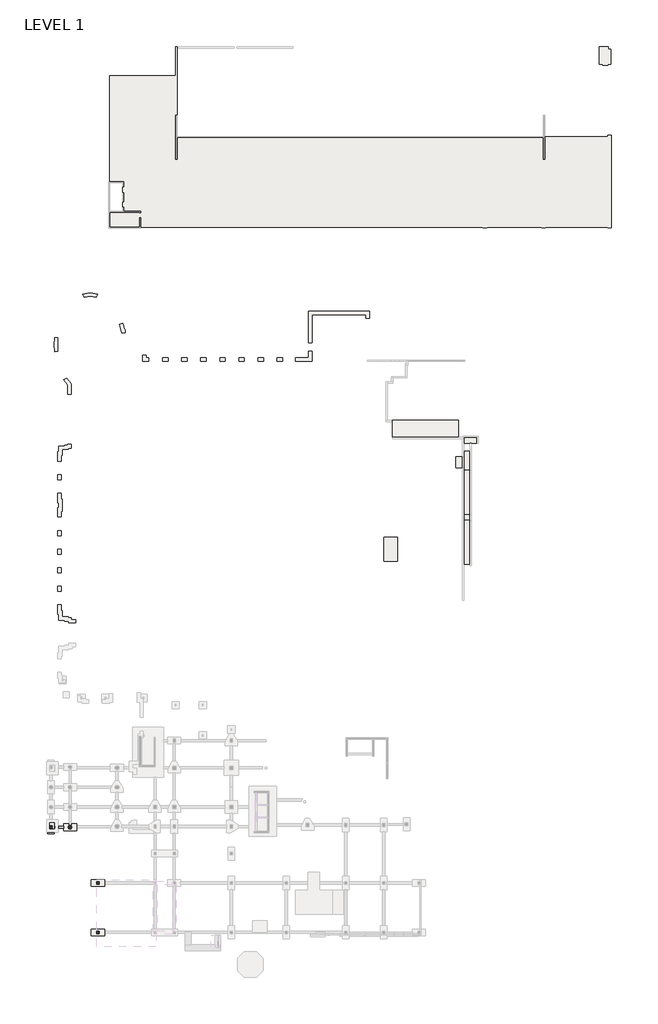
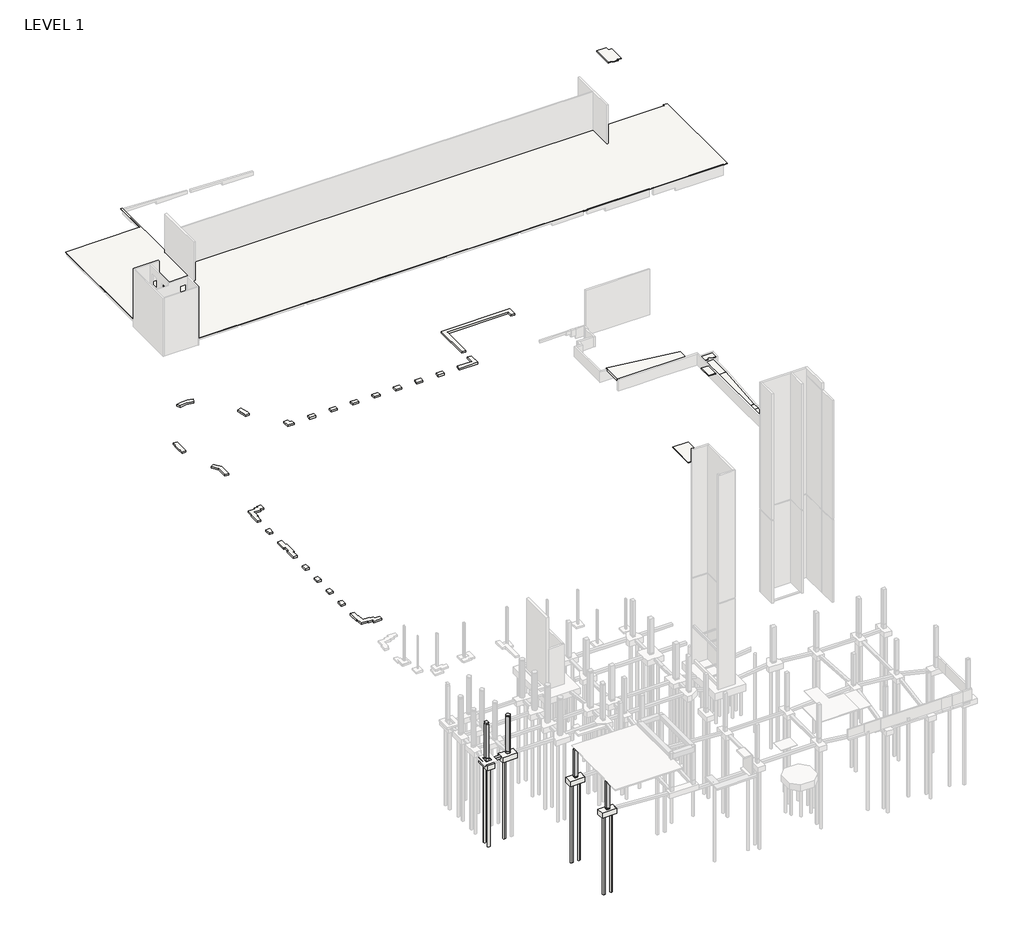
# One storey, part 3 of 20: 22 slabs, 4 columns, 1 beam.
"""IFC4 building model written with IfcOpenShell, lengths in millimetres."""

from ifc_helpers import new_model, si_unit, point, frame, frame_2d, origin, origin_with_axes, place, context, project, spatial, polyline, circle_curve, ellipse_curve, trimmed, segment, composite_curve, outline, extrude, faceted_brep, element, save
from ifc_brep_helpers import plane_surface, extruded_surface, advanced_brep

model = new_model("IFC4")

# Units and contexts
model_context = context("Model", 3, world=origin())
ifc_project = project(units=[si_unit("LENGTHUNIT", "METRE", prefix="MILLI")], contexts=[model_context])

# Site, building, storey
site = spatial("IfcSite", under=ifc_project)
building = spatial("IfcBuilding", under=site)
storey = spatial("IfcBuildingStorey", under=building, Name="LEVEL 1", Elevation=0.0)

# Beam
placement = place(None, origin())
element("IfcBeam", 1, ObjectType="Concrete-Rectangular Beam", at=placement, inside=storey, context=model_context, shape_type="SweptSolid", body=[
    extrude(outline(polyline([(-10179.5593104, -33406.3107149), (-10179.5593104, -33863.5107149), (-12080.3610058, -33863.5107149), (-12080.3610058, -33406.3107149), (-10179.5593104, -33406.3107149)])), frame((0.0, 0.0, -1066.8), z_axis=(0.0, 0.0, 1.0), x_axis=(1.0, 0.0, 0.0)), (0.0, 0.0, 1.0), 457.2),
])

# Columns
element("IfcColumn", 2, ObjectType="UC Concrete-Rectangular-Column : 16 x 24", at=placement, inside=storey, context=model_context, shape_type="Brep", body=[
    faceted_brep([(-12562.9610058, -33330.1107149, -609.6), (-12562.9610058, -33939.7107149, -609.6), (-12969.3610058, -33939.7107149, -609.6), (-12969.3610058, -33330.1107149, -609.6), (-12562.9610058, -33939.7107149, -127.0), (-12562.9610058, -33330.1107149, -127.0), (-12969.3610058, -33330.1107149, -127.0), (-12969.3610058, -33939.7107149, -127.0)], [[[0, 1, 2, 3]], [[4, 5, 6, 7]], [[1, 0, 5, 4]], [[2, 1, 4, 7]], [[3, 2, 7, 6]], [[0, 3, 6, 5]]]),
    faceted_brep([(-12562.9610058, -33330.1107149, 6908.8), (-12562.9610058, -33939.7107149, 6908.8), (-12562.9610058, -33939.7107149, 6858.0), (-12562.9610058, -33330.1107149, 6858.0), (-12969.3610058, -33939.7107149, 6908.8), (-12969.3610058, -33939.7107149, 6858.0), (-12969.3610058, -33330.1107149, 6908.8), (-12969.3610058, -33330.1107149, 6858.0), (-12969.3610058, -33533.2810305, 6858.0)], [[[0, 1, 2, 3]], [[1, 4, 5, 2]], [[4, 6, 7, 8, 5]], [[6, 0, 3, 7]], [[1, 0, 6, 4]], [[3, 2, 5, 8, 7]]]),
    faceted_brep([(-12562.9610058, -33330.1107149, 0.0), (-12562.9610058, -33939.7107149, 0.0), (-12969.3610058, -33939.7107149, 0.0), (-12969.3610058, -33330.1107149, 0.0), (-12562.9610058, -33939.7107149, 6553.2), (-12562.9610058, -33330.1107149, 6553.2), (-12969.3610058, -33330.1107149, 6553.2), (-12969.3610058, -33533.2810305, 6553.2), (-12969.3610058, -33939.7107149, 6553.2)], [[[0, 1, 2, 3]], [[4, 5, 6, 7, 8]], [[1, 0, 5, 4]], [[2, 1, 4, 8]], [[3, 2, 8, 7, 6]], [[0, 3, 6, 5]]]),
])
element("IfcColumn", 3, ObjectType="UC Concrete-Rectangular-Column : 20 x 20", at=placement, inside=storey, context=model_context, shape_type="Brep", body=[
    faceted_brep([(-2758.5610058, -55224.9107149, -304.8), (-2758.5610058, -55732.9107149, -304.8), (-3266.5610058, -55732.9107149, -304.8), (-3266.5610058, -55224.9107149, -304.8), (-2758.5610058, -55732.9107149, -127.0), (-2758.5610058, -55224.9107149, -127.0), (-3266.5610058, -55224.9107149, -127.0), (-3266.5610058, -55732.9107149, -127.0)], [[[0, 1, 2, 3]], [[4, 5, 6, 7]], [[1, 0, 5, 4]], [[2, 1, 4, 7]], [[3, 2, 7, 6]], [[0, 3, 6, 5]]]),
    faceted_brep([(-2758.5610058, -55224.9107149, 5181.6), (-2758.5610058, -55732.9107149, 5181.6), (-2758.5610058, -55732.9107149, 4470.4), (-2758.5610058, -55732.9107149, 0.0), (-2758.5610058, -55224.9107149, 0.0), (-2758.5610058, -55224.9107149, 4470.4), (-2809.3610058, -55732.9107149, 5181.6), (-3215.7610058, -55732.9107149, 5181.6), (-3266.5610058, -55732.9107149, 5181.6), (-3266.5610058, -55732.9107149, 0.0), (-3266.5610058, -55224.9107149, 5181.6), (-3266.5610058, -55224.9107149, 0.0), (-3215.7610058, -55224.9107149, 5181.6), (-2809.3610058, -55224.9107149, 5181.6)], [[[0, 1, 2, 3, 4, 5]], [[1, 6, 7, 8, 9, 3, 2]], [[8, 10, 11, 9]], [[10, 12, 13, 0, 5, 4, 11]], [[1, 0, 13, 12, 10, 8, 7, 6]], [[4, 3, 9, 11]]]),
])
element("IfcColumn", 4, ObjectType="UC Concrete-Rectangular-Column : 20 x 20", at=placement, inside=storey, context=model_context, shape_type="Brep", body=[
    faceted_brep([(-2758.5610058, -44963.3107149, -304.8), (-2758.5610058, -45471.3107149, -304.8), (-3266.5610058, -45471.3107149, -304.8), (-3266.5610058, -44963.3107149, -304.8), (-2758.5610058, -45471.3107149, -127.0), (-2758.5610058, -44963.3107149, -127.0), (-3266.5610058, -44963.3107149, -127.0), (-3266.5610058, -45471.3107149, -127.0)], [[[0, 1, 2, 3]], [[4, 5, 6, 7]], [[1, 0, 5, 4]], [[2, 1, 4, 7]], [[3, 2, 7, 6]], [[0, 3, 6, 5]]]),
    faceted_brep([(-2758.5610058, -44963.3107149, 5181.6), (-2758.5610058, -45471.3107149, 5181.6), (-2758.5610058, -45471.3107149, 4470.4), (-2758.5610058, -45471.3107149, 0.0), (-2758.5610058, -44963.3107149, 0.0), (-2758.5610058, -44963.3107149, 4470.4), (-3215.7610058, -45471.3107149, 5181.6), (-3266.5610058, -45471.3107149, 5181.6), (-3266.5610058, -45471.3107149, 0.0), (-3266.5610058, -44963.3107149, 5181.6), (-3266.5610058, -44963.3107149, 0.0), (-3215.7610058, -44963.3107149, 5181.6)], [[[0, 1, 2, 3, 4, 5]], [[1, 6, 7, 8, 3, 2]], [[7, 9, 10, 8]], [[9, 11, 0, 5, 4, 10]], [[1, 0, 11, 9, 7, 6]], [[4, 3, 8, 10]]]),
])
element("IfcColumn", 5, ObjectType="UC Concrete-Round-Column : 30\" DIA.", at=placement, inside=storey, context=model_context, shape_type="SweptSolid", body=[
    extrude(outline(composite_curve([segment(trimmed(circle_curve(frame_2d((-8803.7610058, -33634.9107149)), 381.0), [point((-8803.7610058, -33253.9107149))], [point((-8803.7610058, -34015.9107149))], False, "CARTESIAN"), True, "CONTINUOUS"), segment(trimmed(circle_curve(frame_2d((-8803.7610058, -33634.9107149)), 381.0), [point((-8803.7610058, -34015.9107149))], [point((-8803.7610058, -33253.9107149))], False, "CARTESIAN"), True, "CONTINUOUS")], self_intersect=False)), frame((0.0, 0.0, -406.4), z_axis=(0.0, 0.0, 1.0), x_axis=(1.0, 0.0, 0.0)), (0.0, 0.0, 1.0), 279.4),
    extrude(outline(composite_curve([segment(trimmed(circle_curve(frame_2d((-8803.7610058, -33634.9107149)), 381.0), [point((-8803.7610058, -33253.9107149))], [point((-8803.7610058, -34015.9107149))], False, "CARTESIAN"), True, "CONTINUOUS"), segment(trimmed(circle_curve(frame_2d((-8803.7610058, -33634.9107149)), 381.0), [point((-8803.7610058, -34015.9107149))], [point((-8803.7610058, -33253.9107149))], False, "CARTESIAN"), True, "CONTINUOUS")], self_intersect=False)), frame((0.0, 0.0, 6858.0), z_axis=(0.0, 0.0, 1.0), x_axis=(1.0, 0.0, 0.0)), (0.0, 0.0, 1.0), 50.8),
    extrude(outline(composite_curve([segment(trimmed(circle_curve(frame_2d((-8803.7610058, -33634.9107149)), 381.0), [point((-8803.7610058, -33253.9107149))], [point((-8803.7610058, -34015.9107149))], False, "CARTESIAN"), True, "CONTINUOUS"), segment(trimmed(circle_curve(frame_2d((-8803.7610058, -33634.9107149)), 381.0), [point((-8803.7610058, -34015.9107149))], [point((-8803.7610058, -33253.9107149))], False, "CARTESIAN"), True, "CONTINUOUS")], self_intersect=False)), origin_with_axes(), (0.0, 0.0, 1.0), 6731.0),
])

# Slabs
element("IfcSlab", 6, ObjectType="12\" Concrete", at=placement, inside=storey, context=model_context, shape_type="SweptSolid", body=[
    extrude(outline(polyline([(7020.4389942, 64434.4368517), (7020.4389942, 63926.4368517), (7528.4389942, 63926.4368517), (7528.4389942, 63215.2368517), (6309.2389942, 63215.2368517), (6309.2389942, 64434.4368517), (7020.4389942, 64434.4368517)])), frame((0.0, 0.0, -711.2), z_axis=(0.0, 0.0, 1.0), x_axis=(1.0, 0.0, 0.0)), (0.0, 0.0, 1.0), 304.8),
    extrude(outline(polyline([(11567.0389942, 63926.4368517), (11567.0389942, 63215.2368517), (10449.4389942, 63215.2368517), (10449.4389942, 63926.4368517), (11567.0389942, 63926.4368517)])), frame((0.0, 0.0, -711.2), z_axis=(0.0, 0.0, 1.0), x_axis=(1.0, 0.0, 0.0)), (0.0, 0.0, 1.0), 304.8),
    extrude(outline(polyline([(15529.4389942, 63926.4368517), (15529.4389942, 63215.2368517), (14411.8389942, 63215.2368517), (14411.8389942, 63926.4368517), (15529.4389942, 63926.4368517)])), frame((0.0, 0.0, -711.2), z_axis=(0.0, 0.0, 1.0), x_axis=(1.0, 0.0, 0.0)), (0.0, 0.0, 1.0), 304.8),
    extrude(outline(polyline([(19491.8389942, 63926.4368517), (19491.8389942, 63215.2368517), (18374.2389942, 63215.2368517), (18374.2389942, 63926.4368517), (19491.8389942, 63926.4368517)])), frame((0.0, 0.0, -711.2), z_axis=(0.0, 0.0, 1.0), x_axis=(1.0, 0.0, 0.0)), (0.0, 0.0, 1.0), 304.8),
    extrude(outline(polyline([(23454.2389942, 63926.4368517), (23454.2389942, 63215.2368517), (22336.6389942, 63215.2368517), (22336.6389942, 63926.4368517), (23454.2389942, 63926.4368517)])), frame((0.0, 0.0, -711.2), z_axis=(0.0, 0.0, 1.0), x_axis=(1.0, 0.0, 0.0)), (0.0, 0.0, 1.0), 304.8),
    extrude(outline(polyline([(27416.6389942, 63926.4368517), (27416.6389942, 63215.2368517), (26299.0389942, 63215.2368517), (26299.0389942, 63926.4368517), (27416.6389942, 63926.4368517)])), frame((0.0, 0.0, -711.2), z_axis=(0.0, 0.0, 1.0), x_axis=(1.0, 0.0, 0.0)), (0.0, 0.0, 1.0), 304.8),
    extrude(outline(polyline([(31379.0389942, 63926.4368517), (31379.0389942, 63215.2368517), (30261.4389942, 63215.2368517), (30261.4389942, 63926.4368517), (31379.0389942, 63926.4368517)])), frame((0.0, 0.0, -711.2), z_axis=(0.0, 0.0, 1.0), x_axis=(1.0, 0.0, 0.0)), (0.0, 0.0, 1.0), 304.8),
    extrude(outline(polyline([(35341.4389942, 63926.4368517), (35341.4389942, 63215.2368517), (34223.8389942, 63215.2368517), (34223.8389942, 63926.4368517), (35341.4389942, 63926.4368517)])), frame((0.0, 0.0, -711.2), z_axis=(0.0, 0.0, 1.0), x_axis=(1.0, 0.0, 0.0)), (0.0, 0.0, 1.0), 304.8),
    extrude(outline(polyline([(40777.3752261, 63926.4368517), (40777.3752261, 65247.2368517), (41488.5752261, 65247.2368517), (41488.5752261, 63215.2368517), (38110.0389942, 63215.2368517), (38110.0389942, 63926.4368517), (40777.3752261, 63926.4368517)])), frame((0.0, 0.0, -711.2), z_axis=(0.0, 0.0, 1.0), x_axis=(1.0, 0.0, 0.0)), (0.0, 0.0, 1.0), 304.8),
    extrude(outline(polyline([(40777.3752261, 67076.0368517), (40777.3752261, 73603.8368517), (53457.9889942, 73603.8368517), (53457.9889942, 72079.8368517), (52746.7889942, 72079.8368517), (52746.7889942, 72892.6368517), (41488.5752261, 72892.6368517), (41488.5752261, 67076.0368517), (40777.3752261, 67076.0368517)])), frame((0.0, 0.0, -711.2), z_axis=(0.0, 0.0, 1.0), x_axis=(1.0, 0.0, 0.0)), (0.0, 0.0, 1.0), 304.8),
])
element("IfcSlab", 7, ObjectType="12\" Concrete", at=placement, inside=storey, context=model_context, shape_type="SweptSolid", body=[
    extrude(outline(polyline([(-306.67571, 58213.3780825), (-1830.67571, 71929.3780825), (-1524.0, 71929.3780825), (0.0, 58213.3780825), (-306.67571, 58213.3780825)])), frame((0.0, 47406.9828896, 0.0), z_axis=(0.0, 1.0, 0.0), x_axis=(0.0, 0.0, 1.0)), (0.0, 0.0, 1.0), 3541.0178985),
])
element("IfcSlab", 8, ObjectType="12\" Concrete", at=placement, inside=storey, context=model_context, shape_type="SolidModel", body=[
    faceted_brep([(-9921.3610058, 9189.4892851, -711.2), (-9921.3610058, 9392.6892851, -711.2), (-11140.5610058, 9392.6892851, -711.2), (-11140.5610058, 10611.8892851, -711.2), (-11343.7610058, 10611.8892851, -711.2), (-11343.7610058, 12542.3264941, -711.2), (-10632.5610058, 12542.3264941, -711.2), (-10632.5610058, 11323.0892851, -711.2), (-10429.3610058, 11323.0892851, -711.2), (-10429.3610058, 10103.8892851, -711.2), (-9210.1610058, 10103.8892851, -711.2), (-9210.1610058, 9900.6892851, -711.2), (-8600.5610058, 9900.6892851, -711.2), (-8600.5610058, 9519.6892851, -711.2), (-7660.7610058, 9519.6892851, -711.2), (-7660.7610058, 8808.4892851, -711.2), (-9108.5610058, 8808.4892851, -711.2), (-9108.5610058, 9189.4892851, -711.2), (-9921.3610058, 9189.4892851, -406.4), (-9108.5610058, 9189.4892851, -406.4), (-9108.5610058, 8808.4892851, -406.4), (-7660.7610058, 8808.4892851, -406.4), (-7660.7610058, 9519.6892851, -406.4), (-8600.5610058, 9519.6892851, -406.4), (-8600.5610058, 9900.6892851, -406.4), (-9210.1610058, 9900.6892851, -406.4), (-9210.1610058, 10103.8892851, -406.4), (-10429.3610058, 10103.8892851, -406.4), (-10429.3610058, 11323.0892851, -406.4), (-10632.5610058, 11323.0892851, -406.4), (-10632.5610058, 12542.3264941, -406.4), (-11343.7610058, 12542.3264941, -406.4), (-11343.7610058, 10611.8892851, -406.4), (-11140.5610058, 10611.8892851, -406.4), (-11140.5610058, 9392.6892851, -406.4), (-9921.3610058, 9392.6892851, -406.4)], [[[0, 1, 2, 3, 4, 5, 6, 7, 8, 9, 10, 11, 12, 13, 14, 15, 16, 17]], [[18, 19, 20, 21, 22, 23, 24, 25, 26, 27, 28, 29, 30, 31, 32, 33, 34, 35]], [[1, 0, 18, 35]], [[2, 1, 35, 34]], [[3, 2, 34, 33]], [[4, 3, 33, 32]], [[5, 4, 32, 31]], [[6, 5, 31, 30]], [[7, 6, 30, 29]], [[8, 7, 29, 28]], [[9, 8, 28, 27]], [[10, 9, 27, 26]], [[11, 10, 26, 25]], [[12, 11, 25, 24]], [[13, 12, 24, 23]], [[0, 17, 19, 18]], [[14, 13, 23, 22]], [[15, 14, 22, 21]], [[16, 15, 21, 20]], [[17, 16, 20, 19]]]),
    faceted_brep([(-11343.7610058, 16403.1264941, -711.2), (-10632.5610058, 16403.1264941, -711.2), (-10632.5610058, 15387.1264941, -711.2), (-11343.7610058, 15387.1264941, -711.2), (-11343.7610058, 16403.1264941, -406.4), (-11343.7610058, 15387.1264941, -406.4), (-10632.5610058, 15387.1264941, -406.4), (-10632.5610058, 16403.1264941, -406.4)], [[[0, 1, 2, 3]], [[4, 5, 6, 7]], [[1, 0, 4, 7]], [[2, 1, 7, 6]], [[3, 2, 6, 5]], [[0, 3, 5, 4]]]),
    faceted_brep([(-11343.7610058, 20263.9264941, -711.2), (-10632.5610058, 20263.9264941, -711.2), (-10632.5610058, 19247.9264941, -711.2), (-11343.7610058, 19247.9264941, -711.2), (-11343.7610058, 20263.9264941, -406.4), (-11343.7610058, 19247.9264941, -406.4), (-10632.5610058, 19247.9264941, -406.4), (-10632.5610058, 20263.9264941, -406.4)], [[[0, 1, 2, 3]], [[4, 5, 6, 7]], [[1, 0, 4, 7]], [[2, 1, 7, 6]], [[3, 2, 6, 5]], [[0, 3, 5, 4]]]),
    faceted_brep([(-11343.7610058, 23108.7264941, -711.2), (-11343.7610058, 24124.7264941, -711.2), (-10632.5610058, 24124.7264941, -711.2), (-10632.5610058, 23108.7264941, -711.2), (-11343.7610058, 23108.7264941, -406.4), (-10632.5610058, 23108.7264941, -406.4), (-10632.5610058, 24124.7264941, -406.4), (-11343.7610058, 24124.7264941, -406.4)], [[[0, 1, 2, 3]], [[4, 5, 6, 7]], [[1, 0, 4, 7]], [[2, 1, 7, 6]], [[3, 2, 6, 5]], [[0, 3, 5, 4]]]),
    faceted_brep([(-11343.7610058, 26969.5264941, -711.2), (-11343.7610058, 27985.5264941, -711.2), (-10632.5610058, 27985.5264941, -711.2), (-10632.5610058, 26969.5264941, -711.2), (-11343.7610058, 26969.5264941, -406.4), (-10632.5610058, 26969.5264941, -406.4), (-10632.5610058, 27985.5264941, -406.4), (-11343.7610058, 27985.5264941, -406.4)], [[[0, 1, 2, 3]], [[4, 5, 6, 7]], [[1, 0, 4, 7]], [[2, 1, 7, 6]], [[3, 2, 6, 5]], [[0, 3, 5, 4]]]),
    faceted_brep([(-11343.7610058, 32760.7264941, -711.2), (-11140.5610058, 32760.7264941, -711.2), (-11140.5610058, 33776.7264941, -711.2), (-11343.7610058, 33776.7264941, -711.2), (-11343.7610058, 35707.1264941, -711.2), (-10603.9860058, 35707.1264941, -711.2), (-10603.9860058, 34516.5014941, -711.2), (-10416.6610058, 34516.5014941, -711.2), (-10416.6610058, 32020.9514941, -711.2), (-10603.9860058, 32020.9514941, -711.2), (-10603.9860058, 30830.3264941, -711.2), (-11343.7610058, 30830.3264941, -711.2), (-11343.7610058, 32760.7264941, -406.4), (-11343.7610058, 30830.3264941, -406.4), (-10603.9860058, 30830.3264941, -406.4), (-10603.9860058, 32020.9514941, -406.4), (-10416.6610058, 32020.9514941, -406.4), (-10416.6610058, 34516.5014941, -406.4), (-10603.9860058, 34516.5014941, -406.4), (-10603.9860058, 35707.1264941, -406.4), (-11343.7610058, 35707.1264941, -406.4), (-11343.7610058, 33776.7264941, -406.4), (-11140.5610058, 33776.7264941, -406.4), (-11140.5610058, 32760.7264941, -406.4)], [[[0, 1, 2, 3, 4, 5, 6, 7, 8, 9, 10, 11]], [[12, 13, 14, 15, 16, 17, 18, 19, 20, 21, 22, 23]], [[1, 0, 12, 23]], [[9, 8, 16, 15]], [[10, 9, 15, 14]], [[11, 10, 14, 13]], [[0, 11, 13, 12]], [[4, 3, 21, 20]], [[5, 4, 20, 19]], [[6, 5, 19, 18]], [[7, 6, 18, 17]], [[3, 2, 22, 21]], [[2, 1, 23, 22]], [[8, 7, 17, 16]]]),
    faceted_brep([(-11343.7610058, 39567.9264941, -711.2), (-10632.5610058, 39567.9264941, -711.2), (-10632.5610058, 38551.9264941, -711.2), (-11343.7610058, 38551.9264941, -711.2), (-11343.7610058, 39567.9264941, -406.4), (-11343.7610058, 38551.9264941, -406.4), (-10632.5610058, 38551.9264941, -406.4), (-10632.5610058, 39567.9264941, -406.4)], [[[0, 1, 2, 3]], [[4, 5, 6, 7]], [[1, 0, 4, 7]], [[2, 1, 7, 6]], [[3, 2, 6, 5]], [[0, 3, 5, 4]]]),
    faceted_brep([(-11343.7610058, 44343.1264941, -711.2), (-11140.5610058, 44343.1264941, -711.2), (-11140.5610058, 45562.3264941, -711.2), (-9921.3610058, 45562.3264941, -711.2), (-9921.3610058, 45765.5264941, -711.2), (-9311.7610058, 45765.5264941, -711.2), (-9311.7610058, 45968.7264941, -711.2), (-8600.5610058, 45968.7264941, -711.2), (-8600.5610058, 45054.3264941, -711.2), (-9210.1610058, 45054.3264941, -711.2), (-9210.1610058, 44851.1264941, -711.2), (-10429.3610058, 44851.1264941, -711.2), (-10429.3610058, 43631.9264941, -711.2), (-10632.5610058, 43631.9264941, -711.2), (-10632.5610058, 42412.7264941, -711.2), (-11343.7610058, 42412.7264941, -711.2), (-11343.7610058, 44343.1264941, -406.4), (-11343.7610058, 42412.7264941, -406.4), (-10632.5610058, 42412.7264941, -406.4), (-10632.5610058, 43631.9264941, -406.4), (-10429.3610058, 43631.9264941, -406.4), (-10429.3610058, 44851.1264941, -406.4), (-9210.1610058, 44851.1264941, -406.4), (-9210.1610058, 45054.3264941, -406.4), (-8600.5610058, 45054.3264941, -406.4), (-8600.5610058, 45968.7264941, -406.4), (-9311.7610058, 45968.7264941, -406.4), (-9311.7610058, 45765.5264941, -406.4), (-9921.3610058, 45765.5264941, -406.4), (-9921.3610058, 45562.3264941, -406.4), (-11140.5610058, 45562.3264941, -406.4), (-11140.5610058, 44343.1264941, -406.4)], [[[0, 1, 2, 3, 4, 5, 6, 7, 8, 9, 10, 11, 12, 13, 14, 15]], [[16, 17, 18, 19, 20, 21, 22, 23, 24, 25, 26, 27, 28, 29, 30, 31]], [[1, 0, 16, 31]], [[2, 1, 31, 30]], [[3, 2, 30, 29]], [[4, 3, 29, 28]], [[5, 4, 28, 27]], [[6, 5, 27, 26]], [[7, 6, 26, 25]], [[8, 7, 25, 24]], [[9, 8, 24, 23]], [[10, 9, 23, 22]], [[11, 10, 22, 21]], [[12, 11, 21, 20]], [[13, 12, 20, 19]], [[14, 13, 19, 18]], [[15, 14, 18, 17]], [[0, 15, 17, 16]]]),
    advanced_brep(
    [(-9311.7610058, 56281.0368517, -711.2), (-9311.7610058, 58271.3436392, -711.2), (-10081.9313955, 59289.9219423, -711.2), (-9486.6362903, 59679.0609634, -711.2), (-8600.5610058, 58530.9889097, -711.2), (-8600.5610058, 56281.0368517, -711.2), (-9311.7610058, 56281.0368517, -406.4), (-8600.5610058, 56281.0368517, -406.4), (-8600.5610058, 58530.9889097, -406.4), (-9486.6362903, 59679.0609634, -406.4), (-10081.9313955, 59289.9219423, -406.4), (-9311.7610058, 58271.3436392, -406.4)],
    [
        (0, 1),
        (1, 2, ellipse_curve(frame((-4892.9512476, 66477.5001945, -711.2), z_axis=(0.0, 0.0, -1.0), x_axis=(0.0, 1.0, 0.0)), 10426.7, 7162.8)),
        (2, 3),
        (3, 4, ellipse_curve(frame((-4297.6561424, 66866.6392156, -711.2), z_axis=(0.0, 0.0, 1.0), x_axis=(0.0, -1.0, 0.0)), 10426.7, 7162.8)),
        (4, 5),
        (5, 0),
        (6, 7),
        (7, 8),
        (8, 9, ellipse_curve(frame((-4297.6561424, 66866.6392156, -406.4), z_axis=(0.0, 0.0, -1.0), x_axis=(0.0, -1.0, 0.0)), 10426.7, 7162.8)),
        (9, 10),
        (10, 11, ellipse_curve(frame((-4892.9512476, 66477.5001945, -406.4), z_axis=(0.0, 0.0, 1.0), x_axis=(0.0, 1.0, 0.0)), 10426.7, 7162.8)),
        (11, 6),
        (0, 6),
        (11, 1),
        (10, 2),
        (9, 3),
        (8, 4),
        (7, 5),
    ],
    [
        plane_surface(frame((-9921.3610058, 9189.4892851, -711.2), z_axis=(0.0, 0.0, -1.0), x_axis=(0.0, 1.0, 0.0))),
        plane_surface(frame((-9921.3610058, 9189.4892851, -406.4), z_axis=(0.0, 0.0, 1.0), x_axis=(0.0, -1.0, 0.0))),
        plane_surface(frame((-9311.7610058, 56281.0368517, -711.2), z_axis=(-1.0, 0.0, 0.0), x_axis=(0.0, 0.0, 1.0))),
        extruded_surface(trimmed(ellipse_curve(frame((-4892.9512476, 66477.5001945, 304.8), z_axis=(0.0, 0.0, -1.0), x_axis=(-1.0, 0.0, 0.0)), 7162.8, 10426.7), [point((-9311.7610058, 58271.3436392, 304.8))], [point((-10081.9313955, 59289.9219423, 304.8))], True, "CARTESIAN"), (0.0, 0.0, -304.8), 304.8),
        plane_surface(frame((-10081.9313955, 59289.9219423, -711.2), z_axis=(-0.5471583536460086, 0.8370291130154252, 0.0), x_axis=(0.0, 0.0, 1.0))),
        extruded_surface(trimmed(ellipse_curve(frame((-4297.6561424, 66866.6392156, 304.8), z_axis=(0.0, 0.0, 1.0), x_axis=(-1.0, 0.0, 0.0)), 7162.8, 10426.7), [point((-9486.6362903, 59679.0609634, 304.8))], [point((-8600.5610058, 58530.9889097, 304.8))], True, "CARTESIAN"), (0.0, 0.0, -304.8), 304.8),
        plane_surface(frame((-8600.5610058, 58530.9889097, -711.2), z_axis=(1.0, 0.0, 0.0), x_axis=(0.0, 0.0, 1.0))),
        plane_surface(frame((-8600.5610058, 56281.0368517, -711.2), z_axis=(0.0, -1.0, 0.0), x_axis=(0.0, 0.0, 1.0))),
    ],
    [
        (0, [[1, 2, 3, 4, 5, 6]]),
        (1, [[7, 8, 9, 10, 11, 12]]),
        (2, [[-1, 13, -12, 14]]),
        (3, [[-2, -14, -11, 15]]),
        (4, [[-3, -15, -10, 16]]),
        (5, [[-4, -16, -9, 17]]),
        (6, [[-5, -17, -8, 18]]),
        (7, [[-6, -18, -7, -13]]),
    ],
),
    advanced_brep(
    [(-3093.8133427, 77130.6491285, -711.2), (-3409.9339794, 76510.227446, -711.2), (-5865.7155685, 76510.227446, -711.2), (-6181.8362052, 77130.6491285, -711.2), (-3093.8133427, 77130.6491285, -406.4), (-6181.8362052, 77130.6491285, -406.4), (-5865.7155685, 76510.227446, -406.4), (-3409.9339794, 76510.227446, -406.4)],
    [
        (0, 1),
        (1, 2, ellipse_curve(frame((-4637.8247739, 66237.8740607, -711.2), z_axis=(0.0, 0.0, 1.0), x_axis=(0.0, -1.0, 0.0)), 10426.7, 7162.8)),
        (2, 3),
        (3, 0, ellipse_curve(frame((-4637.8247739, 66949.0740607, -711.2), z_axis=(0.0, 0.0, -1.0), x_axis=(0.0, 1.0, 0.0)), 10426.7, 7162.8)),
        (4, 5, ellipse_curve(frame((-4637.8247739, 66949.0740607, -406.4), z_axis=(0.0, 0.0, 1.0), x_axis=(0.0, 1.0, 0.0)), 10426.7, 7162.8)),
        (5, 6),
        (6, 7, ellipse_curve(frame((-4637.8247739, 66237.8740607, -406.4), z_axis=(0.0, 0.0, -1.0), x_axis=(0.0, -1.0, 0.0)), 10426.7, 7162.8)),
        (7, 4),
        (0, 4),
        (7, 1),
        (6, 2),
        (5, 3),
    ],
    [
        plane_surface(frame((-9921.3610058, 9189.4892851, -711.2), z_axis=(0.0, 0.0, -1.0), x_axis=(0.0, 1.0, 0.0))),
        plane_surface(frame((-9921.3610058, 9189.4892851, -406.4), z_axis=(0.0, 0.0, 1.0), x_axis=(0.0, -1.0, 0.0))),
        plane_surface(frame((-3093.8133427, 77130.6491285, -711.2), z_axis=(0.8910065241883683, -0.453990499739546, 0.0), x_axis=(0.0, 0.0, 1.0))),
        extruded_surface(trimmed(ellipse_curve(frame((-4637.8247739, 66237.8740607, 304.8), z_axis=(0.0, 0.0, 1.0), x_axis=(-1.0, 0.0, 0.0)), 7162.8, 10426.7), [point((-3409.9339794, 76510.227446, 304.8))], [point((-5865.7155685, 76510.227446, 304.8))], True, "CARTESIAN"), (0.0, 0.0, -304.8), 304.8),
        plane_surface(frame((-5865.7155685, 76510.227446, -711.2), z_axis=(-0.8910065241883413, -0.45399049973959915, 0.0), x_axis=(0.0, 0.0, 1.0))),
        extruded_surface(trimmed(ellipse_curve(frame((-4637.8247739, 66949.0740607, 304.8), z_axis=(0.0, 0.0, -1.0), x_axis=(-1.0, 0.0, 0.0)), 7162.8, 10426.7), [point((-6181.8362052, 77130.6491285, 304.8))], [point((-3093.8133427, 77130.6491285, 304.8))], True, "CARTESIAN"), (0.0, 0.0, -304.8), 304.8),
    ],
    [
        (0, [[1, 2, 3, 4]]),
        (1, [[5, 6, 7, 8]]),
        (2, [[-1, 9, -8, 10]]),
        (3, [[-2, -10, -7, 11]]),
        (4, [[-3, -11, -6, 12]]),
        (5, [[-4, -12, -5, -9]]),
    ],
),
    advanced_brep(
    [(-11331.9163241, 65271.9792973, -711.2), (-12033.7899579, 65173.337391, -711.2), (-12033.7824997, 68115.2869163, -711.2), (-11331.9093688, 68016.6450807, -711.2), (-11331.9163241, 65271.9792973, -406.4), (-11331.9093688, 68016.6450807, -406.4), (-12033.7824997, 68115.2869163, -406.4), (-12033.7899579, 65173.337391, -406.4)],
    [
        (0, 1),
        (1, 2, ellipse_curve(frame((-4942.6247739, 66644.2740607, -711.2), z_axis=(0.0, 0.0, -1.0), x_axis=(0.0, 1.0, 0.0)), 10426.7, 7162.8)),
        (2, 3),
        (3, 0, ellipse_curve(frame((-4231.4247739, 66644.2740607, -711.2), z_axis=(0.0, 0.0, 1.0), x_axis=(0.0, -1.0, 0.0)), 10426.7, 7162.8)),
        (4, 5, ellipse_curve(frame((-4231.4247739, 66644.2740607, -406.4), z_axis=(0.0, 0.0, -1.0), x_axis=(0.0, -1.0, 0.0)), 10426.7, 7162.8)),
        (5, 6),
        (6, 7, ellipse_curve(frame((-4942.6247739, 66644.2740607, -406.4), z_axis=(0.0, 0.0, 1.0), x_axis=(0.0, 1.0, 0.0)), 10426.7, 7162.8)),
        (7, 4),
        (0, 4),
        (7, 1),
        (6, 2),
        (5, 3),
    ],
    [
        plane_surface(frame((-9921.3610058, 9189.4892851, -711.2), z_axis=(0.0, 0.0, -1.0), x_axis=(0.0, 1.0, 0.0))),
        plane_surface(frame((-9921.3610058, 9189.4892851, -406.4), z_axis=(0.0, 0.0, 1.0), x_axis=(0.0, -1.0, 0.0))),
        plane_surface(frame((-11331.9163241, 65271.9792973, -711.2), z_axis=(0.13917310095997132, -0.9902680687415836, 0.0), x_axis=(0.0, 0.0, 1.0))),
        extruded_surface(trimmed(ellipse_curve(frame((-4942.6247739, 66644.2740607, 304.8), z_axis=(0.0, 0.0, -1.0), x_axis=(-1.0, 0.0, 0.0)), 7162.8, 10426.7), [point((-12033.7899579, 65173.337391, 304.8))], [point((-12033.7824997, 68115.2869163, 304.8))], True, "CARTESIAN"), (0.0, 0.0, -304.8), 304.8),
        plane_surface(frame((-12033.7824997, 68115.2869163, -711.2), z_axis=(0.1391731009600674, 0.99026806874157, 0.0), x_axis=(0.0, 0.0, 1.0))),
        extruded_surface(trimmed(ellipse_curve(frame((-4231.4247739, 66644.2740607, 304.8), z_axis=(0.0, 0.0, 1.0), x_axis=(-1.0, 0.0, 0.0)), 7162.8, 10426.7), [point((-11331.9093688, 68016.6450807, 304.8))], [point((-11331.9163241, 65271.9792973, 304.8))], True, "CARTESIAN"), (0.0, 0.0, -304.8), 304.8),
    ],
    [
        (0, [[1, 2, 3, 4]]),
        (1, [[5, 6, 7, 8]]),
        (2, [[-1, 9, -8, 10]]),
        (3, [[-2, -10, -7, 11]]),
        (4, [[-3, -11, -6, 12]]),
        (5, [[-4, -12, -5, -9]]),
    ],
),
    advanced_brep(
    [(2156.4280144, 71105.2348238, -711.2), (2505.9638478, 69768.5264941, -711.2), (2632.9747485, 69768.5264941, -711.2), (2632.9747485, 69057.3264941, -711.2), (1922.5054538, 69057.3264941, -711.2), (1478.4788452, 70890.3153878, -711.2), (2156.4280144, 71105.2348238, -406.4), (1478.4788452, 70890.3153878, -406.4), (1922.5054538, 69057.3264941, -406.4), (2632.9747485, 69057.3264941, -406.4), (2632.9747485, 69768.5264941, -406.4), (2505.9638478, 69768.5264941, -406.4)],
    [
        (0, 1, ellipse_curve(frame((-4347.27513, 66736.3823904, -711.2), z_axis=(0.0, 0.0, -1.0), x_axis=(0.0, 1.0, 0.0)), 10426.7, 7162.8)),
        (1, 2),
        (2, 3),
        (3, 4),
        (4, 5, ellipse_curve(frame((-5025.2242992, 66521.4629544, -711.2), z_axis=(0.0, 0.0, 1.0), x_axis=(0.0, -1.0, 0.0)), 10426.7, 7162.8)),
        (5, 0),
        (6, 7),
        (7, 8, ellipse_curve(frame((-5025.2242992, 66521.4629544, -406.4), z_axis=(0.0, 0.0, -1.0), x_axis=(0.0, -1.0, 0.0)), 10426.7, 7162.8)),
        (8, 9),
        (9, 10),
        (10, 11),
        (11, 6, ellipse_curve(frame((-4347.27513, 66736.3823904, -406.4), z_axis=(0.0, 0.0, 1.0), x_axis=(0.0, 1.0, 0.0)), 10426.7, 7162.8)),
        (0, 6),
        (11, 1),
        (10, 2),
        (9, 3),
        (8, 4),
        (7, 5),
    ],
    [
        plane_surface(frame((-9921.3610058, 9189.4892851, -711.2), z_axis=(0.0, 0.0, -1.0), x_axis=(0.0, 1.0, 0.0))),
        plane_surface(frame((-9921.3610058, 9189.4892851, -406.4), z_axis=(0.0, 0.0, 1.0), x_axis=(0.0, -1.0, 0.0))),
        extruded_surface(trimmed(ellipse_curve(frame((-4347.27513, 66736.3823904, 304.8), z_axis=(0.0, 0.0, -1.0), x_axis=(-1.0, 0.0, 0.0)), 7162.8, 10426.7), [point((2156.4280144, 71105.2348238, 304.8))], [point((2505.9638478, 69768.5264941, 304.8))], True, "CARTESIAN"), (0.0, 0.0, -304.8), 304.8),
        plane_surface(frame((2505.9638478, 69768.5264941, -711.2), z_axis=(0.0, 1.0, 0.0), x_axis=(0.0, 0.0, 1.0))),
        plane_surface(frame((2632.9747485, 69768.5264941, -711.2), z_axis=(1.0, 0.0, 0.0), x_axis=(0.0, 0.0, 1.0))),
        plane_surface(frame((2632.9747485, 69057.3264941, -711.2), z_axis=(0.0, -1.0, 0.0), x_axis=(0.0, 0.0, 1.0))),
        extruded_surface(trimmed(ellipse_curve(frame((-5025.2242992, 66521.4629544, 304.8), z_axis=(0.0, 0.0, 1.0), x_axis=(-1.0, 0.0, 0.0)), 7162.8, 10426.7), [point((1922.5054538, 69057.3264941, 304.8))], [point((1478.4788452, 70890.3153878, 304.8))], True, "CARTESIAN"), (0.0, 0.0, -304.8), 304.8),
        plane_surface(frame((1478.4788452, 70890.3153878, -711.2), z_axis=(-0.30219268286841466, 0.9532468633154739, 0.0), x_axis=(0.0, 0.0, 1.0))),
    ],
    [
        (0, [[1, 2, 3, 4, 5, 6]]),
        (1, [[7, 8, 9, 10, 11, 12]]),
        (2, [[-1, 13, -12, 14]]),
        (3, [[-2, -14, -11, 15]]),
        (4, [[-3, -15, -10, 16]]),
        (5, [[-4, -16, -9, 17]]),
        (6, [[-5, -17, -8, 18]]),
        (7, [[-6, -18, -7, -13]]),
    ],
),
])
element("IfcSlab", 9, ObjectType="18\" Diameter", at=placement, inside=storey, context=model_context, shape_type="SweptSolid", body=[
    extrude(outline(composite_curve([segment(trimmed(circle_curve(frame_2d((-12766.1610058, -32949.1107149)), 228.6), [point((-12537.5610058, -32949.1107149))], [point((-12994.7610058, -32949.1107149))], False, "CARTESIAN"), True, "CONTINUOUS"), segment(trimmed(circle_curve(frame_2d((-12766.1610058, -32949.1107149)), 228.6), [point((-12994.7610058, -32949.1107149))], [point((-12537.5610058, -32949.1107149))], False, "CARTESIAN"), True, "CONTINUOUS")], self_intersect=False)), frame((0.0, 0.0, -17043.4), z_axis=(0.0, 0.0, 1.0), x_axis=(1.0, 0.0, 0.0)), (0.0, 0.0, 1.0), 15392.4),
])
element("IfcSlab", 10, ObjectType="18\" Diameter", at=placement, inside=storey, context=model_context, shape_type="SweptSolid", body=[
    extrude(outline(composite_curve([segment(trimmed(circle_curve(frame_2d((-12766.1610058, -34320.7107149)), 228.6), [point((-12537.5610058, -34320.7107149))], [point((-12994.7610058, -34320.7107149))], False, "CARTESIAN"), True, "CONTINUOUS"), segment(trimmed(circle_curve(frame_2d((-12766.1610058, -34320.7107149)), 228.6), [point((-12994.7610058, -34320.7107149))], [point((-12537.5610058, -34320.7107149))], False, "CARTESIAN"), True, "CONTINUOUS")], self_intersect=False)), frame((0.0, 0.0, -17043.4), z_axis=(0.0, 0.0, 1.0), x_axis=(1.0, 0.0, 0.0)), (0.0, 0.0, 1.0), 15392.4),
])
element("IfcSlab", 11, ObjectType="18\" Diameter", at=placement, inside=storey, context=model_context, shape_type="SweptSolid", body=[
    extrude(outline(composite_curve([segment(trimmed(circle_curve(frame_2d((-9489.5610058, -33634.9107149)), 228.6), [point((-9489.5610058, -33406.3107149))], [point((-9489.5610058, -33863.5107149))], False, "CARTESIAN"), True, "CONTINUOUS"), segment(trimmed(circle_curve(frame_2d((-9489.5610058, -33634.9107149)), 228.6), [point((-9489.5610058, -33863.5107149))], [point((-9489.5610058, -33406.3107149))], False, "CARTESIAN"), True, "CONTINUOUS")], self_intersect=False)), frame((0.0, 0.0, -17043.4), z_axis=(0.0, 0.0, 1.0), x_axis=(1.0, 0.0, 0.0)), (0.0, 0.0, 1.0), 15392.4),
])
element("IfcSlab", 12, ObjectType="18\" Diameter", at=placement, inside=storey, context=model_context, shape_type="SweptSolid", body=[
    extrude(outline(composite_curve([segment(trimmed(circle_curve(frame_2d((-2326.7610058, -55478.9107149)), 228.6), [point((-2326.7610058, -55707.5107149))], [point((-2326.7610058, -55250.3107149))], False, "CARTESIAN"), True, "CONTINUOUS"), segment(trimmed(circle_curve(frame_2d((-2326.7610058, -55478.9107149)), 228.6), [point((-2326.7610058, -55250.3107149))], [point((-2326.7610058, -55707.5107149))], False, "CARTESIAN"), True, "CONTINUOUS")], self_intersect=False)), frame((0.0, 0.0, -16738.6), z_axis=(0.0, 0.0, 1.0), x_axis=(1.0, 0.0, 0.0)), (0.0, 0.0, 1.0), 15392.4),
])
element("IfcSlab", 13, ObjectType="18\" Diameter", at=placement, inside=storey, context=model_context, shape_type="SweptSolid", body=[
    extrude(outline(composite_curve([segment(trimmed(circle_curve(frame_2d((-3698.3610058, -55478.9107149)), 228.6), [point((-3698.3610058, -55707.5107149))], [point((-3698.3610058, -55250.3107149))], False, "CARTESIAN"), True, "CONTINUOUS"), segment(trimmed(circle_curve(frame_2d((-3698.3610058, -55478.9107149)), 228.6), [point((-3698.3610058, -55250.3107149))], [point((-3698.3610058, -55707.5107149))], False, "CARTESIAN"), True, "CONTINUOUS")], self_intersect=False)), frame((0.0, 0.0, -16738.6), z_axis=(0.0, 0.0, 1.0), x_axis=(1.0, 0.0, 0.0)), (0.0, 0.0, 1.0), 15392.4),
])
element("IfcSlab", 14, ObjectType="18\" Diameter", at=placement, inside=storey, context=model_context, shape_type="SweptSolid", body=[
    extrude(outline(composite_curve([segment(trimmed(circle_curve(frame_2d((-2326.7610058, -45217.3107149)), 228.6), [point((-2326.7610058, -45445.9107149))], [point((-2326.7610058, -44988.7107149))], False, "CARTESIAN"), True, "CONTINUOUS"), segment(trimmed(circle_curve(frame_2d((-2326.7610058, -45217.3107149)), 228.6), [point((-2326.7610058, -44988.7107149))], [point((-2326.7610058, -45445.9107149))], False, "CARTESIAN"), True, "CONTINUOUS")], self_intersect=False)), frame((0.0, 0.0, -16738.6), z_axis=(0.0, 0.0, 1.0), x_axis=(1.0, 0.0, 0.0)), (0.0, 0.0, 1.0), 15392.4),
])
element("IfcSlab", 15, ObjectType="18\" Diameter", at=placement, inside=storey, context=model_context, shape_type="SweptSolid", body=[
    extrude(outline(composite_curve([segment(trimmed(circle_curve(frame_2d((-3698.3610058, -45217.3107149)), 228.6), [point((-3698.3610058, -45445.9107149))], [point((-3698.3610058, -44988.7107149))], False, "CARTESIAN"), True, "CONTINUOUS"), segment(trimmed(circle_curve(frame_2d((-3698.3610058, -45217.3107149)), 228.6), [point((-3698.3610058, -44988.7107149))], [point((-3698.3610058, -45445.9107149))], False, "CARTESIAN"), True, "CONTINUOUS")], self_intersect=False)), frame((0.0, 0.0, -16738.6), z_axis=(0.0, 0.0, 1.0), x_axis=(1.0, 0.0, 0.0)), (0.0, 0.0, 1.0), 15392.4),
])
element("IfcSlab", 16, ObjectType="5\" Concrete", at=placement, inside=storey, context=model_context, shape_type="SweptSolid", body=[
    extrude(outline(polyline([(59299.9889942, 26566.2828896), (59299.9889942, 21575.4925238), (56467.8889942, 21575.4925238), (56467.8889942, 26566.2828896), (59299.9889942, 26566.2828896)])), frame((0.0, 0.0, -165.1), z_axis=(0.0, 0.0, 1.0), x_axis=(1.0, 0.0, 0.0)), (0.0, 0.0, 1.0), 127.0),
])
element("IfcSlab", 17, ObjectType="5\" slab", at=placement, inside=storey, context=model_context, shape_type="Brep", body=[
    faceted_brep([(13141.8389942, 122473.4740607, -127.0), (13141.8389942, 127959.8740607, -127.0), (13141.8389942, 128569.4740607, -127.0), (13446.6389942, 128569.4740607, -127.0), (13446.6389942, 127959.8740607, -127.0), (13446.6389942, 122168.7264941, -127.0), (13446.6389942, 114345.4740607, -127.0), (13141.8389942, 114345.4740607, -127.0), (13141.8389942, 105201.4740607, -127.0), (13446.6389942, 105201.4740607, -127.0), (13446.6389942, 109671.8740607, -127.0), (89646.6389942, 109671.8740607, -127.0), (89646.6389942, 105201.4740607, -127.0), (89951.4389942, 105201.4740607, -127.0), (89951.4389942, 109875.0740607, -127.0), (102981.6389942, 109875.0740607, -127.0), (102981.6389942, 110154.4740607, -127.0), (103743.6389942, 110154.4740607, -127.0), (103743.6389942, 90901.2740607, -127.0), (102981.6389942, 90901.2740607, -127.0), (102981.6389942, 90977.4740607, -127.0), (90027.6389942, 90977.4740607, -127.0), (90027.6389942, 90901.2740607, -127.0), (89265.6389942, 90901.2740607, -127.0), (89265.6389942, 90977.4740607, -127.0), (77835.6389942, 90977.4740607, -127.0), (77835.6389942, 90901.2740607, -127.0), (77073.6389942, 90901.2740607, -127.0), (77073.6389942, 90977.4740607, -127.0), (37525.8389942, 90977.4740607, -127.0), (25943.4389942, 90977.4740607, -127.0), (25333.8389942, 90977.4740607, -127.0), (13751.4389942, 90977.4740607, -127.0), (13141.8389942, 90977.4740607, -127.0), (5826.6389942, 90977.4740607, -127.0), (5826.6389942, 91282.2740607, -127.0), (5826.6389942, 93009.4740607, -127.0), (5623.4389942, 93009.4740607, -127.0), (5623.4389942, 90977.4740607, -127.0), (-574.1610058, 90977.4740607, -127.0), (-574.1610058, 94127.0740607, -127.0), (5623.4389942, 94127.0740607, -127.0), (5623.4389942, 94025.4740607, -127.0), (5826.6389942, 94025.4740607, -127.0), (5826.6389942, 94330.2740607, -127.0), (2372.2389942, 94330.2740607, -127.0), (2372.2389942, 95143.0740607, -127.0), (2169.0389942, 95143.0740607, -127.0), (2169.0389942, 96362.2740607, -127.0), (2372.2389942, 96362.2740607, -127.0), (2372.2389942, 98191.0740607, -127.0), (2169.0389942, 98191.0740607, -127.0), (2169.0389942, 99410.2740607, -127.0), (2372.2389942, 99410.2740607, -127.0), (2372.2389942, 100426.2740607, -127.0), (-269.3610058, 100426.2740607, -127.0), (-574.1610058, 100426.2740607, -127.0), (-574.1610058, 109468.6740607, -127.0), (-574.1610058, 110078.2740607, -127.0), (-574.1610058, 121863.8740607, -127.0), (-574.1610058, 122473.4740607, -127.0), (13141.8389942, 122473.4740607, 0.0), (-574.1610058, 122473.4740607, 0.0), (-574.1610058, 100426.2740607, 0.0), (2372.2389942, 100426.2740607, 0.0), (2372.2389942, 99410.2740607, 0.0), (2169.0389942, 99410.2740607, 0.0), (2169.0389942, 98191.0740607, 0.0), (2372.2389942, 98191.0740607, 0.0), (2372.2389942, 96362.2740607, 0.0), (2169.0389942, 96362.2740607, 0.0), (2169.0389942, 95143.0740607, 0.0), (2372.2389942, 95143.0740607, 0.0), (2372.2389942, 94330.2740607, 0.0), (5826.6389942, 94330.2740607, 0.0), (5826.6389942, 94025.4740607, 0.0), (5623.4389942, 94025.4740607, 0.0), (5623.4389942, 94127.0740607, 0.0), (-574.1610058, 94127.0740607, 0.0), (-574.1610058, 90977.4740607, 0.0), (5623.4389942, 90977.4740607, 0.0), (5623.4389942, 93009.4740607, 0.0), (5826.6389942, 93009.4740607, 0.0), (5826.6389942, 90977.4740607, 0.0), (77073.6389942, 90977.4740607, 0.0), (77073.6389942, 90901.2740607, 0.0), (77835.6389942, 90901.2740607, 0.0), (77835.6389942, 90977.4740607, 0.0), (89265.6389942, 90977.4740607, 0.0), (89265.6389942, 90901.2740607, 0.0), (90027.6389942, 90901.2740607, 0.0), (90027.6389942, 90977.4740607, 0.0), (102981.6389942, 90977.4740607, 0.0), (102981.6389942, 90901.2740607, 0.0), (103743.6389942, 90901.2740607, 0.0), (103743.6389942, 110154.4740607, 0.0), (102981.6389942, 110154.4740607, 0.0), (102981.6389942, 109875.0740607, 0.0), (89951.4389942, 109875.0740607, 0.0), (89951.4389942, 105201.4740607, 0.0), (89646.6389942, 105201.4740607, 0.0), (89646.6389942, 109671.8740607, 0.0), (13446.6389942, 109671.8740607, 0.0), (13446.6389942, 105201.4740607, 0.0), (13141.8389942, 105201.4740607, 0.0), (13141.8389942, 114345.4740607, 0.0), (13446.6389942, 114345.4740607, 0.0), (13446.6389942, 128569.4740607, 0.0), (13141.8389942, 128569.4740607, 0.0)], [[[0, 1, 2, 3, 4, 5, 6, 7, 8, 9, 10, 11, 12, 13, 14, 15, 16, 17, 18, 19, 20, 21, 22, 23, 24, 25, 26, 27, 28, 29, 30, 31, 32, 33, 34, 35, 36, 37, 38, 39, 40, 41, 42, 43, 44, 45, 46, 47, 48, 49, 50, 51, 52, 53, 54, 55, 56, 57, 58, 59, 60]], [[61, 62, 63, 64, 65, 66, 67, 68, 69, 70, 71, 72, 73, 74, 75, 76, 77, 78, 79, 80, 81, 82, 83, 84, 85, 86, 87, 88, 89, 90, 91, 92, 93, 94, 95, 96, 97, 98, 99, 100, 101, 102, 103, 104, 105, 106, 107, 108]], [[6, 5, 4, 3, 107, 106]], [[15, 14, 98, 97]], [[18, 17, 95, 94]], [[34, 33, 32, 31, 30, 29, 28, 84, 83]], [[60, 59, 58, 57, 56, 63, 62]], [[0, 60, 62, 61]], [[2, 1, 0, 61, 108]], [[3, 2, 108, 107]], [[44, 43, 75, 74]], [[45, 44, 74, 73]], [[54, 53, 65, 64]], [[56, 55, 54, 64, 63]], [[11, 10, 102, 101]], [[12, 11, 101, 100]], [[13, 12, 100, 99]], [[14, 13, 99, 98]], [[7, 6, 106, 105]], [[8, 7, 105, 104]], [[9, 8, 104, 103]], [[10, 9, 103, 102]], [[36, 35, 34, 83, 82]], [[37, 36, 82, 81]], [[38, 37, 81, 80]], [[39, 38, 80, 79]], [[40, 39, 79, 78]], [[41, 40, 78, 77]], [[42, 41, 77, 76]], [[43, 42, 76, 75]], [[46, 45, 73, 72]], [[47, 46, 72, 71]], [[48, 47, 71, 70]], [[49, 48, 70, 69]], [[50, 49, 69, 68]], [[51, 50, 68, 67]], [[52, 51, 67, 66]], [[53, 52, 66, 65]], [[16, 15, 97, 96]], [[17, 16, 96, 95]], [[27, 26, 86, 85]], [[28, 27, 85, 84]], [[19, 18, 94, 93]], [[20, 19, 93, 92]], [[21, 20, 92, 91]], [[22, 21, 91, 90]], [[23, 22, 90, 89]], [[24, 23, 89, 88]], [[25, 24, 88, 87]], [[26, 25, 87, 86]]]),
])
element("IfcSlab", 18, ObjectType="5\" slab", at=placement, inside=storey, context=model_context, shape_type="SweptSolid", body=[
    extrude(outline(polyline([(40508.5871043, -178.2402093), (31364.5871043, -940.2402093), (31364.5871043, -812.8), (40508.5871043, -50.8), (40508.5871043, -178.2402093)])), frame((73041.5082498, 0.0, 0.0), z_axis=(1.0, 0.0, 0.0), x_axis=(0.0, 1.0, 0.0)), (0.0, 0.0, 1.0), 1568.3307444),
])
element("IfcSlab", 19, ObjectType="5\" slab", at=placement, inside=storey, context=model_context, shape_type="SweptSolid", body=[
    extrude(outline(polyline([(30144.5078896, -940.2402093), (21000.5078896, -1702.2402093), (21000.5078896, -1574.8), (30144.5078896, -812.8), (30144.5078896, -940.2402093)])), frame((73041.5082498, 0.0, 0.0), z_axis=(1.0, 0.0, 0.0), x_axis=(0.0, 1.0, 0.0)), (0.0, 0.0, 1.0), 1568.3307444),
])
element("IfcSlab", 20, ObjectType="5\" slab", at=placement, inside=storey, context=model_context, shape_type="SweptSolid", body=[
    extrude(outline(polyline([(74609.8389942, 30144.5078896), (73041.5082498, 30144.5078896), (73041.5082498, 31364.5871043), (74609.8389942, 31364.5871043), (74609.8389942, 30144.5078896)])), frame((0.0, 0.0, -939.8), z_axis=(0.0, 0.0, 1.0), x_axis=(1.0, 0.0, 0.0)), (0.0, 0.0, 1.0), 127.0),
])
element("IfcSlab", 21, ObjectType="5\" slab", at=placement, inside=storey, context=model_context, shape_type="SweptSolid", body=[
    extrude(outline(polyline([(73044.5639942, 40508.5871043), (73044.5639942, 41022.9371043), (71469.7639942, 41022.9371043), (71469.7639942, 43387.4328896), (73044.5639942, 43387.4328896), (73044.5639942, 44479.6328896), (74609.8389942, 44479.6328896), (74609.8389942, 40508.5871043), (73044.5639942, 40508.5871043)])), frame((0.0, 0.0, -177.8), z_axis=(0.0, 0.0, 1.0), x_axis=(1.0, 0.0, 0.0)), (0.0, 0.0, 1.0), 127.0),
])
element("IfcSlab", 22, ObjectType="5\" slab", at=placement, inside=storey, context=model_context, shape_type="SweptSolid", body=[
    extrude(outline(polyline([(73041.5082498, 46146.5078896), (73041.5082498, 47365.7078896), (75829.0389942, 47365.7078896), (75829.0389942, 46146.5078896), (73041.5082498, 46146.5078896)])), frame((0.0, 0.0, -1092.2), z_axis=(0.0, 0.0, 1.0), x_axis=(1.0, 0.0, 0.0)), (0.0, 0.0, 1.0), 127.0),
])
element("IfcSlab", 23, ObjectType="6\" precast slab", at=placement, inside=storey, context=model_context, shape_type="SweptSolid", body=[
    extrude(outline(polyline([(103057.8389942, 128569.4740607), (103057.8389942, 127959.8740607), (103667.4389942, 127959.8740607), (103667.4389942, 124911.8740607), (103007.0389942, 124911.8740607), (103007.0389942, 124708.6740607), (101991.0389942, 124708.6740607), (101991.0389942, 124911.8740607), (101279.8389942, 124911.8740607), (101279.8389942, 128569.4740607), (103057.8389942, 128569.4740607)])), frame((0.0, 0.0, -152.4), z_axis=(0.0, 0.0, 1.0), x_axis=(1.0, 0.0, 0.0)), (0.0, 0.0, 1.0), 152.4),
])
element("IfcSlab", 24, ObjectType="UC Pile Cap-2 Pile : P2", at=placement, inside=storey, context=model_context, shape_type="Brep", body=[
    faceted_brep([(-12080.3610058, -32263.3107149, -609.6), (-13451.9610058, -32263.3107149, -609.6), (-13451.9610058, -35006.5107149, -609.6), (-12080.3610058, -35006.5107149, -609.6), (-12080.3610058, -33863.5107149, -609.6), (-12080.3610058, -33406.3107149, -609.6), (-12080.3610058, -32263.3107149, -1574.8), (-12080.3610058, -35006.5107149, -1574.8), (-13451.9610058, -35006.5107149, -1574.8), (-13451.9610058, -32263.3107149, -1574.8)], [[[0, 1, 2, 3, 4, 5]], [[6, 7, 8, 9]], [[1, 0, 6, 9]], [[2, 1, 9, 8]], [[3, 2, 8, 7]], [[0, 5, 4, 3, 7, 6]]]),
])
element("IfcSlab", 25, ObjectType="UC Pile Cap-2 Pile : P2", at=placement, inside=storey, context=model_context, shape_type="Brep", body=[
    faceted_brep([(-10175.3610058, -32949.1107149, -609.6), (-10175.3610058, -34320.7107149, -609.6), (-7432.1610058, -34320.7107149, -609.6), (-7432.1610058, -33754.6520275, -609.6), (-7432.1610058, -33297.4520275, -609.6), (-7432.1610058, -32949.1107149, -609.6), (-8575.1610058, -32949.1107149, -609.6), (-9032.3610058, -32949.1107149, -609.6), (-10175.3610058, -32949.1107149, -1574.8), (-7432.1610058, -32949.1107149, -1574.8), (-7432.1610058, -34320.7107149, -1574.8), (-10175.3610058, -34320.7107149, -1574.8)], [[[0, 1, 2, 3, 4, 5, 6, 7]], [[8, 9, 10, 11]], [[1, 0, 8, 11]], [[2, 1, 11, 10]], [[5, 4, 3, 2, 10, 9]], [[0, 7, 6, 5, 9, 8]]]),
])
element("IfcSlab", 26, ObjectType="UC Pile Cap-2 Pile : P2", at=placement, inside=storey, context=model_context, shape_type="Brep", body=[
    faceted_brep([(-1640.9610058, -56164.7107149, -304.8), (-1640.9610058, -54793.1107149, -304.8), (-2783.9610058, -54793.1107149, -304.8), (-3241.1610058, -54793.1107149, -304.8), (-4384.1610058, -54793.1107149, -304.8), (-4384.1610058, -56164.7107149, -304.8), (-1640.9610058, -56164.7107149, -1270.0), (-4384.1610058, -56164.7107149, -1270.0), (-4384.1610058, -54793.1107149, -1270.0), (-1640.9610058, -54793.1107149, -1270.0)], [[[0, 1, 2, 3, 4, 5]], [[6, 7, 8, 9]], [[1, 0, 6, 9]], [[4, 3, 2, 1, 9, 8]], [[5, 4, 8, 7]], [[0, 5, 7, 6]]]),
])
element("IfcSlab", 27, ObjectType="UC Pile Cap-2 Pile : P2", at=placement, inside=storey, context=model_context, shape_type="Brep", body=[
    faceted_brep([(-1640.9610058, -45903.1107149, -304.8), (-1640.9610058, -45445.9107149, -304.8), (-1640.9610058, -44988.7107149, -304.8), (-1640.9610058, -44531.5107149, -304.8), (-4384.1610058, -44531.5107149, -304.8), (-4384.1610058, -45903.1107149, -304.8), (-3241.1610058, -45903.1107149, -304.8), (-2783.9610058, -45903.1107149, -304.8), (-1640.9610058, -45903.1107149, -1270.0), (-4384.1610058, -45903.1107149, -1270.0), (-4384.1610058, -44531.5107149, -1270.0), (-1640.9610058, -44531.5107149, -1270.0)], [[[0, 1, 2, 3, 4, 5, 6, 7]], [[8, 9, 10, 11]], [[3, 2, 1, 0, 8, 11]], [[4, 3, 11, 10]], [[5, 4, 10, 9]], [[0, 7, 6, 5, 9, 8]]]),
])

save(model, "model.ifc")
